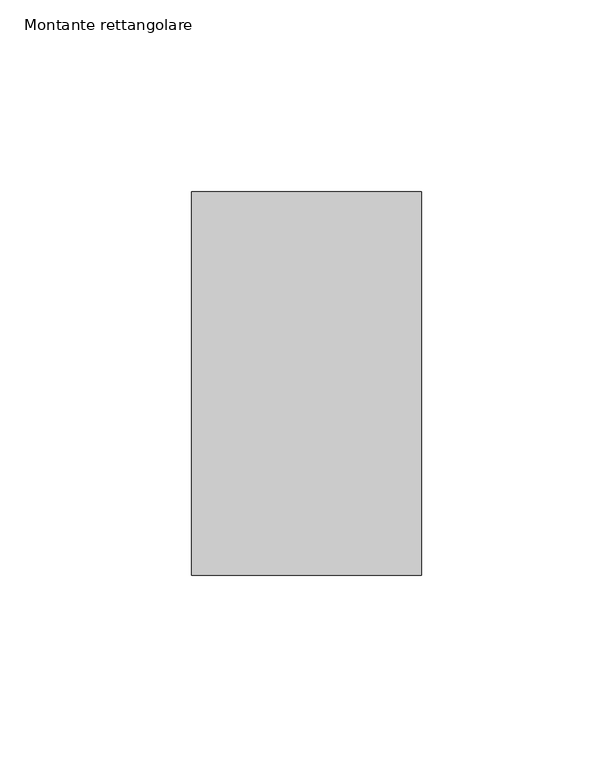
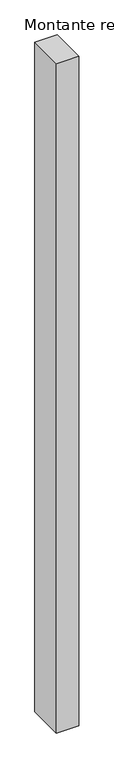
"""IFC4 building model written with IfcOpenShell, lengths in millimetres: member geometry, Montante rettangolare."""

from ifc_helpers import new_model, si_unit, frame, origin, place, context, project, spatial, polyline, outline, extrude, source, transform, mapped, element, save


def montante_rettangolare_1f4123aa(model_context):
    return source(origin(), model_context, "Body", "SweptSolid", [
        extrude(outline(polyline([(0.0, 50.0), (0.0, -50.0), (-60.0, -50.0), (-60.0, 50.0), (0.0, 50.0)])), frame((0.0, 0.0, -1895.2447726), z_axis=(0.0, 0.0, 1.0), x_axis=(1.0, 0.0, 0.0)), (0.0, 0.0, 1.0), 1895.2447726),
    ])


if __name__ == "__main__":
    model = new_model("IFC4")
    model_context = context("Model", 3, world=origin())
    ifc_project = project(units=[si_unit("LENGTHUNIT", "METRE", prefix="MILLI")], contexts=[model_context])
    site = spatial("IfcSite", under=ifc_project)
    building = spatial("IfcBuilding", under=site)
    placement = place(None, origin())
    montante_rettangolare_shape = montante_rettangolare_1f4123aa(model_context)
    element("IfcMember", 1, ObjectType="Montante rettangolare", at=placement, inside=building, context=model_context, shape_type="MappedRepresentation", body=[
        mapped(montante_rettangolare_shape, transform((0.0, 0.0, 0.0), x_axis=(1.0, 0.0, 0.0), y_axis=(0.0, 1.0, 0.0), z_axis=(0.0, 0.0, 1.0))),
    ])
    save(model, "model.ifc")
